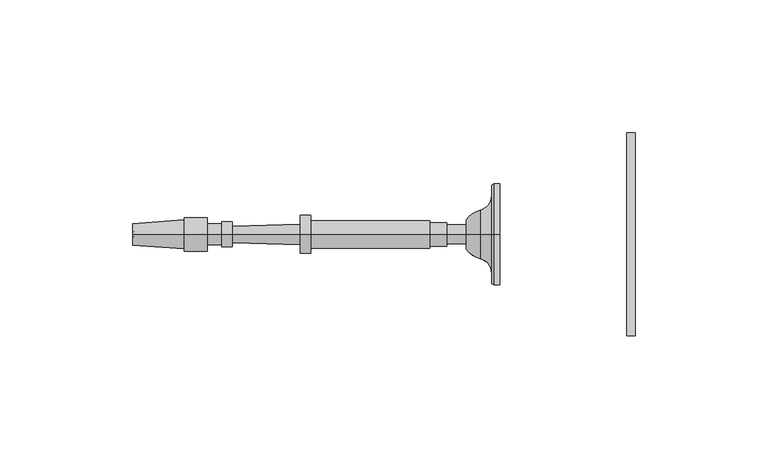
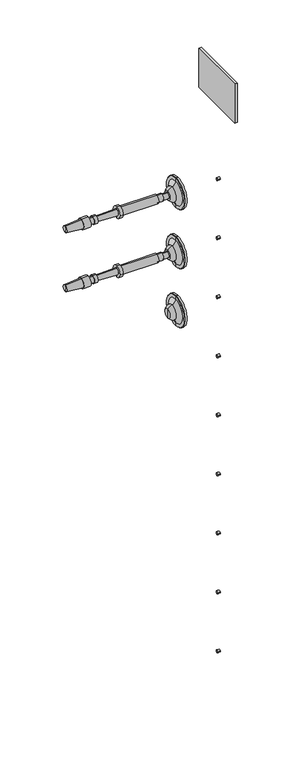
"""IFC4 building model written with IfcOpenShell, lengths in millimetres: railing geometry."""

from ifc_helpers import new_model, si_unit, point, frame, frame_2d, origin, place, context, project, spatial, polyline, circle_curve, ellipse_curve, trimmed, segment, composite_curve, outline, extrude, source, transform, mapped, element, save
from ifc_brep_helpers import plane_surface, cylinder_surface, revolved_surface, advanced_brep


def railing_6aa3b354(model_context):
    return source(origin(), model_context, "Body", "SolidModel", [
        extrude(outline(polyline([(4095.9188898, 20351.1866843), (4095.9188898, 20274.9866843), (4092.7438898, 20274.9866843), (4092.7438898, 20351.1866843), (4095.9188898, 20351.1866843)])), frame((0.0, 0.0, 33390.9789063), z_axis=(0.0, 0.0, 1.0), x_axis=(1.0, 0.0, 0.0)), (0.0, 0.0, 1.0), 50.8),
        extrude(outline(composite_curve([segment(trimmed(circle_curve(frame_2d((20313.0866843, 33295.7289062)), 1.5379197), [point((20311.5487645, 33295.7289062))], [point((20314.624604, 33295.7289062))], False, "CARTESIAN"), True, "CONTINUOUS"), segment(trimmed(circle_curve(frame_2d((20313.0866843, 33295.7289062)), 1.5379197), [point((20314.624604, 33295.7289062))], [point((20311.5487645, 33295.7289062))], False, "CARTESIAN"), True, "CONTINUOUS")], self_intersect=False)), frame((4092.7438898, 0.0, 0.0), z_axis=(1.0, 0.0, 0.0), x_axis=(0.0, 1.0, 0.0)), (0.0, 0.0, 1.0), 3.175),
        extrude(outline(composite_curve([segment(trimmed(circle_curve(frame_2d((20313.0866843, 33219.5289063)), 1.5379197), [point((20311.5487645, 33219.5289063))], [point((20314.624604, 33219.5289063))], False, "CARTESIAN"), True, "CONTINUOUS"), segment(trimmed(circle_curve(frame_2d((20313.0866843, 33219.5289063)), 1.5379197), [point((20314.624604, 33219.5289063))], [point((20311.5487645, 33219.5289063))], False, "CARTESIAN"), True, "CONTINUOUS")], self_intersect=False)), frame((4092.7438898, 0.0, 0.0), z_axis=(1.0, 0.0, 0.0), x_axis=(0.0, 1.0, 0.0)), (0.0, 0.0, 1.0), 3.175),
        extrude(outline(composite_curve([segment(trimmed(circle_curve(frame_2d((20313.0866843, 33143.3289062)), 1.5379197), [point((20311.5487645, 33143.3289062))], [point((20314.624604, 33143.3289062))], False, "CARTESIAN"), True, "CONTINUOUS"), segment(trimmed(circle_curve(frame_2d((20313.0866843, 33143.3289062)), 1.5379197), [point((20314.624604, 33143.3289062))], [point((20311.5487645, 33143.3289062))], False, "CARTESIAN"), True, "CONTINUOUS")], self_intersect=False)), frame((4092.7438898, 0.0, 0.0), z_axis=(1.0, 0.0, 0.0), x_axis=(0.0, 1.0, 0.0)), (0.0, 0.0, 1.0), 3.175),
        extrude(outline(composite_curve([segment(trimmed(circle_curve(frame_2d((20313.0866843, 33067.1289062)), 1.5379197), [point((20311.5487645, 33067.1289062))], [point((20314.624604, 33067.1289062))], False, "CARTESIAN"), True, "CONTINUOUS"), segment(trimmed(circle_curve(frame_2d((20313.0866843, 33067.1289062)), 1.5379197), [point((20314.624604, 33067.1289062))], [point((20311.5487645, 33067.1289062))], False, "CARTESIAN"), True, "CONTINUOUS")], self_intersect=False)), frame((4092.7438898, 0.0, 0.0), z_axis=(1.0, 0.0, 0.0), x_axis=(0.0, 1.0, 0.0)), (0.0, 0.0, 1.0), 3.175),
        extrude(outline(composite_curve([segment(trimmed(circle_curve(frame_2d((20313.0866843, 32990.9289062)), 1.5379197), [point((20311.5487645, 32990.9289062))], [point((20314.624604, 32990.9289062))], False, "CARTESIAN"), True, "CONTINUOUS"), segment(trimmed(circle_curve(frame_2d((20313.0866843, 32990.9289062)), 1.5379197), [point((20314.624604, 32990.9289062))], [point((20311.5487645, 32990.9289062))], False, "CARTESIAN"), True, "CONTINUOUS")], self_intersect=False)), frame((4092.7438898, 0.0, 0.0), z_axis=(1.0, 0.0, 0.0), x_axis=(0.0, 1.0, 0.0)), (0.0, 0.0, 1.0), 3.175),
        extrude(outline(composite_curve([segment(trimmed(circle_curve(frame_2d((20313.0866843, 32914.7289062)), 1.5379197), [point((20311.5487645, 32914.7289062))], [point((20314.624604, 32914.7289062))], False, "CARTESIAN"), True, "CONTINUOUS"), segment(trimmed(circle_curve(frame_2d((20313.0866843, 32914.7289062)), 1.5379197), [point((20314.624604, 32914.7289062))], [point((20311.5487645, 32914.7289062))], False, "CARTESIAN"), True, "CONTINUOUS")], self_intersect=False)), frame((4092.7438898, 0.0, 0.0), z_axis=(1.0, 0.0, 0.0), x_axis=(0.0, 1.0, 0.0)), (0.0, 0.0, 1.0), 3.175),
        extrude(outline(composite_curve([segment(trimmed(circle_curve(frame_2d((20313.0866843, 32838.5289063)), 1.5379197), [point((20311.5487645, 32838.5289063))], [point((20314.624604, 32838.5289063))], False, "CARTESIAN"), True, "CONTINUOUS"), segment(trimmed(circle_curve(frame_2d((20313.0866843, 32838.5289063)), 1.5379197), [point((20314.624604, 32838.5289063))], [point((20311.5487645, 32838.5289063))], False, "CARTESIAN"), True, "CONTINUOUS")], self_intersect=False)), frame((4092.7438898, 0.0, 0.0), z_axis=(1.0, 0.0, 0.0), x_axis=(0.0, 1.0, 0.0)), (0.0, 0.0, 1.0), 3.175),
        extrude(outline(composite_curve([segment(trimmed(circle_curve(frame_2d((20313.0866843, 32762.3289062)), 1.5379197), [point((20311.5487645, 32762.3289062))], [point((20314.624604, 32762.3289062))], False, "CARTESIAN"), True, "CONTINUOUS"), segment(trimmed(circle_curve(frame_2d((20313.0866843, 32762.3289062)), 1.5379197), [point((20314.624604, 32762.3289062))], [point((20311.5487645, 32762.3289062))], False, "CARTESIAN"), True, "CONTINUOUS")], self_intersect=False)), frame((4092.7438898, 0.0, 0.0), z_axis=(1.0, 0.0, 0.0), x_axis=(0.0, 1.0, 0.0)), (0.0, 0.0, 1.0), 3.175),
        extrude(outline(composite_curve([segment(trimmed(circle_curve(frame_2d((20313.0866843, 32686.1289062)), 1.5379197), [point((20311.5487645, 32686.1289062))], [point((20314.624604, 32686.1289062))], False, "CARTESIAN"), True, "CONTINUOUS"), segment(trimmed(circle_curve(frame_2d((20313.0866843, 32686.1289062)), 1.5379197), [point((20314.624604, 32686.1289062))], [point((20311.5487645, 32686.1289062))], False, "CARTESIAN"), True, "CONTINUOUS")], self_intersect=False)), frame((4092.7438898, 0.0, 0.0), z_axis=(1.0, 0.0, 0.0), x_axis=(0.0, 1.0, 0.0)), (0.0, 0.0, 1.0), 3.175),
        advanced_brep(
        [(4045.1015906, 20313.0866843, 33296.0001631), (4045.1015906, 20313.0866843, 33276.9501631), (4045.1015906, 20313.0866843, 33315.0501631), (4032.408954, 20313.0866843, 33290.4769785), (4032.408954, 20313.0866843, 33296.0001631), (4032.408954, 20313.0866843, 33301.5233478), (4037.6850504, 20313.0866843, 33286.8720381), (4037.6850504, 20313.0866843, 33305.1282881), (4042.0506754, 20313.0866843, 33281.2458254), (4042.0506754, 20313.0866843, 33310.7545009), (4042.0506754, 20313.0866843, 33277.3762941), (4042.0506754, 20313.0866843, 33314.6240321), (4042.7203406, 20313.0866843, 33276.9501631), (4042.7203406, 20313.0866843, 33315.0501631)],
        [
            (0, 1),
            (1, 2, circle_curve(frame((4045.1015906, 20313.0866843, 33296.0001631), z_axis=(1.0, 0.0, 0.0), x_axis=(0.0, 0.0, 1.0)), 19.05)),
            (2, 0),
            (2, 1, circle_curve(frame((4045.1015906, 20313.0866843, 33296.0001631), z_axis=(1.0, 0.0, 0.0), x_axis=(0.0, 0.0, 1.0)), 19.05)),
            (3, 4),
            (4, 5),
            (5, 3, circle_curve(frame((4032.408954, 20313.0866843, 33296.0001631), z_axis=(-1.0, 0.0, 0.0), x_axis=(0.0, 0.0, 1.0)), 5.5231846)),
            (3, 5, circle_curve(frame((4032.408954, 20313.0866843, 33296.0001631), z_axis=(-1.0, 0.0, 0.0), x_axis=(0.0, 0.0, 1.0)), 5.5231846)),
            (6, 3, circle_curve(frame((4040.0094591, 20313.0866843, 33295.9374304), z_axis=(0.0, 1.0, 0.0), x_axis=(-1.0, 0.0, 0.0)), 9.3586438)),
            (5, 7, circle_curve(frame((4040.0094591, 20313.0866843, 33296.0628958), z_axis=(0.0, 1.0, 0.0), x_axis=(-1.0, 0.0, 0.0)), 9.3586438)),
            (7, 6, circle_curve(frame((4037.6850504, 20313.0866843, 33296.0001631), z_axis=(-1.0, 0.0, 0.0), x_axis=(0.0, 0.0, 1.0)), 9.128125)),
            (6, 7, circle_curve(frame((4037.6850504, 20313.0866843, 33296.0001631), z_axis=(-1.0, 0.0, 0.0), x_axis=(0.0, 0.0, 1.0)), 9.128125)),
            (8, 6, circle_curve(frame((4036.2424634, 20313.0866843, 33281.2458254), z_axis=(0.0, -1.0, 0.0), x_axis=(-1.0, 0.0, 0.0)), 5.8082121)),
            (7, 9, circle_curve(frame((4036.2424634, 20313.0866843, 33310.7545009), z_axis=(0.0, -1.0, 0.0), x_axis=(-1.0, 0.0, 0.0)), 5.8082121)),
            (9, 8, circle_curve(frame((4042.0506754, 20313.0866843, 33296.0001631), z_axis=(-1.0, 0.0, 0.0), x_axis=(0.0, 0.0, 1.0)), 14.7543378)),
            (8, 9, circle_curve(frame((4042.0506754, 20313.0866843, 33296.0001631), z_axis=(-1.0, 0.0, 0.0), x_axis=(0.0, 0.0, 1.0)), 14.7543378)),
            (10, 8),
            (9, 11),
            (11, 10, circle_curve(frame((4042.0506754, 20313.0866843, 33296.0001631), z_axis=(-1.0, 0.0, 0.0), x_axis=(0.0, 0.0, 1.0)), 18.623869)),
            (10, 11, circle_curve(frame((4042.0506754, 20313.0866843, 33296.0001631), z_axis=(-1.0, 0.0, 0.0), x_axis=(0.0, 0.0, 1.0)), 18.623869)),
            (12, 10),
            (11, 13),
            (13, 12, circle_curve(frame((4042.7203406, 20313.0866843, 33296.0001631), z_axis=(-1.0, 0.0, 0.0), x_axis=(0.0, 0.0, 1.0)), 19.05)),
            (12, 13, circle_curve(frame((4042.7203406, 20313.0866843, 33296.0001631), z_axis=(-1.0, 0.0, 0.0), x_axis=(0.0, 0.0, 1.0)), 19.05)),
            (1, 12),
            (13, 2),
        ],
        [
            plane_surface(frame((4045.1015906, 20313.0866843, 33296.0001631), z_axis=(1.0, 0.0, 0.0), x_axis=(0.0, 0.0, 1.0))),
            plane_surface(frame((4032.408954, 20313.0866843, 33296.0001631), z_axis=(-1.0, 0.0, 0.0), x_axis=(0.0, 0.0, 1.0))),
            revolved_surface(trimmed(ellipse_curve(frame((4040.0094591, 20313.0866843, 33296.0628958), z_axis=(0.0, 1.0, 0.0), x_axis=(-1.0, 0.0, 0.0)), 9.3586438, 9.3586438), [point((4032.408954, 20313.0866843, 33301.5233478))], [point((4037.6850504, 20313.0866843, 33305.1282881))], True, "CARTESIAN"), (4045.1015906, 20313.0866843, 33296.0001631), (1.0, 0.0, 0.0)),
            revolved_surface(trimmed(ellipse_curve(frame((4036.2424634, 20313.0866843, 33310.7545009), z_axis=(0.0, -1.0, 0.0), x_axis=(-1.0, 0.0, 0.0)), 5.8082121, 5.8082121), [point((4037.6850504, 20313.0866843, 33305.1282881))], [point((4042.0506754, 20313.0866843, 33310.7545009))], True, "CARTESIAN"), (4045.1015906, 20313.0866843, 33296.0001631), (1.0, 0.0, 0.0)),
            plane_surface(frame((4042.0506754, 20313.0866843, 33296.0001631), z_axis=(-1.0, 0.0, 0.0), x_axis=(0.0, 0.0, 1.0))),
            revolved_surface(polyline([(4042.0506754, 20313.0866843, 33314.6240321), (4042.7203406, 20313.0866843, 33315.0501631)]), (4045.1015906, 20313.0866843, 33296.0001631), (1.0, 0.0, 0.0)),
            cylinder_surface(frame((4045.1015906, 20313.0866843, 33296.0001631), z_axis=(1.0, 0.0, 0.0), x_axis=(0.0, 0.0, 1.0)), 19.05),
        ],
        [
            (0, [[1, 2, 3]]),
            (0, [[-3, 4, -1]]),
            (1, [[5, 6, 7]]),
            (1, [[-6, -5, 8]]),
            (2, [[9, -7, 10, 11]]),
            (2, [[-10, -8, -9, 12]]),
            (3, [[13, -11, 14, 15]]),
            (3, [[-14, -12, -13, 16]]),
            (4, [[17, -15, 18, 19]]),
            (4, [[-18, -16, -17, 20]]),
            (5, [[21, -19, 22, 23]]),
            (5, [[-22, -20, -21, 24]]),
            (6, [[25, -23, 26, -2]]),
            (6, [[-26, -24, -25, -4]]),
        ],
    ),
        advanced_brep(
        [(4032.408954, 20313.0866843, 33292.4282881), (4032.408954, 20313.0866843, 33299.5720381), (4032.408954, 20313.0866843, 33296.0001631), (3907.4650648, 20313.0866843, 33296.0001631), (3907.1694004, 20313.0866843, 33300.0246235), (3907.1694004, 20313.0866843, 33291.9757028), (3926.5127644, 20313.0866843, 33301.445719), (3926.5127644, 20313.0866843, 33290.5546072), (3926.5127644, 20313.0866843, 33302.3386877), (3926.5127644, 20313.0866843, 33289.6616385), (3935.1447956, 20313.0866843, 33302.3386877), (3935.1447956, 20313.0866843, 33289.6616385), (3935.1447956, 20313.0866843, 33299.9574377), (3935.1447956, 20313.0866843, 33292.0428885), (3940.5026081, 20313.0866843, 33299.9574377), (3940.5026081, 20313.0866843, 33292.0428885), (3940.5026081, 20313.0866843, 33300.7511877), (3940.5026081, 20313.0866843, 33291.2491385), (3944.5705769, 20313.0866843, 33300.7511877), (3944.5705769, 20313.0866843, 33291.2491385), (3944.614664, 20313.0866843, 33299.1643), (3944.614664, 20313.0866843, 33292.8360262), (3970.0048672, 20313.0866843, 33299.8696944), (3970.0048672, 20313.0866843, 33292.1306319), (3970.0048672, 20313.0866843, 33303.1439131), (3970.0048672, 20313.0866843, 33288.8564131), (3973.9736172, 20313.0866843, 33303.1439131), (3973.9736172, 20313.0866843, 33288.8564131), (3973.9736172, 20313.0866843, 33301.1595381), (3973.9736172, 20313.0866843, 33290.8407881), (4018.7212735, 20313.0866843, 33301.1595381), (4018.7212735, 20313.0866843, 33290.8407881), (4018.7212735, 20313.0866843, 33300.3657881), (4018.7212735, 20313.0866843, 33291.6345381), (4025.0712735, 20313.0866843, 33300.3657881), (4025.0712735, 20313.0866843, 33291.6345381), (4025.0712735, 20313.0866843, 33299.5720381), (4025.0712735, 20313.0866843, 33292.4282881)],
        [
            (0, 1, circle_curve(frame((4032.408954, 20313.0866843, 33296.0001631), z_axis=(1.0, 0.0, 0.0), x_axis=(0.0, 0.0, 1.0000000000000002)), 3.571875)),
            (1, 2),
            (2, 0),
            (1, 0, circle_curve(frame((4032.408954, 20313.0866843, 33296.0001631), z_axis=(1.0, 0.0, 0.0), x_axis=(0.0, 0.0, 1.0000000000000002)), 3.571875)),
            (3, 4),
            (4, 5, circle_curve(frame((3907.1694004, 20313.0866843, 33296.0001631), z_axis=(-1.0, 0.0, 0.0), x_axis=(0.0, 0.0, 1.0000000000000002)), 4.0244604)),
            (5, 3),
            (5, 4, circle_curve(frame((3907.1694004, 20313.0866843, 33296.0001631), z_axis=(-1.0, 0.0, 0.0), x_axis=(0.0, 0.0, 1.0000000000000002)), 4.0244604)),
            (4, 6),
            (6, 7, circle_curve(frame((3926.5127644, 20313.0866843, 33296.0001631), z_axis=(-1.0, 0.0, 0.0), x_axis=(0.0, 0.0, 1.0000000000000002)), 5.4455559)),
            (7, 5),
            (7, 6, circle_curve(frame((3926.5127644, 20313.0866843, 33296.0001631), z_axis=(-1.0, 0.0, 0.0), x_axis=(0.0, 0.0, 1.0000000000000002)), 5.4455559)),
            (6, 8),
            (8, 9, circle_curve(frame((3926.5127644, 20313.0866843, 33296.0001631), z_axis=(-1.0, 0.0, 0.0), x_axis=(0.0, 0.0, 1.0000000000000002)), 6.3385246)),
            (9, 7),
            (9, 8, circle_curve(frame((3926.5127644, 20313.0866843, 33296.0001631), z_axis=(-1.0, 0.0, 0.0), x_axis=(0.0, 0.0, 1.0000000000000002)), 6.3385246)),
            (8, 10),
            (10, 11, circle_curve(frame((3935.1447956, 20313.0866843, 33296.0001631), z_axis=(-1.0, 0.0, 0.0), x_axis=(0.0, 0.0, 1.0000000000000002)), 6.3385246)),
            (11, 9),
            (11, 10, circle_curve(frame((3935.1447956, 20313.0866843, 33296.0001631), z_axis=(-1.0, 0.0, 0.0), x_axis=(0.0, 0.0, 1.0000000000000002)), 6.3385246)),
            (10, 12),
            (12, 13, circle_curve(frame((3935.1447956, 20313.0866843, 33296.0001631), z_axis=(-1.0, 0.0, 0.0), x_axis=(0.0, 0.0, 1.0000000000000002)), 3.9572746)),
            (13, 11),
            (13, 12, circle_curve(frame((3935.1447956, 20313.0866843, 33296.0001631), z_axis=(-1.0, 0.0, 0.0), x_axis=(0.0, 0.0, 1.0000000000000002)), 3.9572746)),
            (12, 14),
            (14, 15, circle_curve(frame((3940.5026081, 20313.0866843, 33296.0001631), z_axis=(-1.0, 0.0, 0.0), x_axis=(0.0, 0.0, 1.0000000000000002)), 3.9572746)),
            (15, 13),
            (15, 14, circle_curve(frame((3940.5026081, 20313.0866843, 33296.0001631), z_axis=(-1.0, 0.0, 0.0), x_axis=(0.0, 0.0, 1.0000000000000002)), 3.9572746)),
            (14, 16),
            (16, 17, circle_curve(frame((3940.5026081, 20313.0866843, 33296.0001631), z_axis=(-1.0, 0.0, 0.0), x_axis=(0.0, 0.0, 1.0000000000000002)), 4.7510246)),
            (17, 15),
            (17, 16, circle_curve(frame((3940.5026081, 20313.0866843, 33296.0001631), z_axis=(-1.0, 0.0, 0.0), x_axis=(0.0, 0.0, 1.0000000000000002)), 4.7510246)),
            (16, 18),
            (18, 19, circle_curve(frame((3944.5705769, 20313.0866843, 33296.0001631), z_axis=(-1.0, 0.0, 0.0), x_axis=(0.0, 0.0, 1.0000000000000002)), 4.7510246)),
            (19, 17),
            (19, 18, circle_curve(frame((3944.5705769, 20313.0866843, 33296.0001631), z_axis=(-1.0, 0.0, 0.0), x_axis=(0.0, 0.0, 1.0000000000000002)), 4.7510246)),
            (18, 20),
            (20, 21, circle_curve(frame((3944.614664, 20313.0866843, 33296.0001631), z_axis=(-1.0, 0.0, 0.0), x_axis=(0.0, 0.0, 1.0000000000000002)), 3.1641369)),
            (21, 19),
            (21, 20, circle_curve(frame((3944.614664, 20313.0866843, 33296.0001631), z_axis=(-1.0, 0.0, 0.0), x_axis=(0.0, 0.0, 1.0000000000000002)), 3.1641369)),
            (20, 22),
            (22, 23, circle_curve(frame((3970.0048672, 20313.0866843, 33296.0001631), z_axis=(-1.0, 0.0, 0.0), x_axis=(0.0, 0.0, 1.0000000000000002)), 3.8695313)),
            (23, 21),
            (23, 22, circle_curve(frame((3970.0048672, 20313.0866843, 33296.0001631), z_axis=(-1.0, 0.0, 0.0), x_axis=(0.0, 0.0, 1.0000000000000002)), 3.8695313)),
            (22, 24),
            (24, 25, circle_curve(frame((3970.0048672, 20313.0866843, 33296.0001631), z_axis=(-1.0, 0.0, 0.0), x_axis=(0.0, 0.0, 1.0000000000000002)), 7.14375)),
            (25, 23),
            (25, 24, circle_curve(frame((3970.0048672, 20313.0866843, 33296.0001631), z_axis=(-1.0, 0.0, 0.0), x_axis=(0.0, 0.0, 1.0000000000000002)), 7.14375)),
            (24, 26),
            (26, 27, circle_curve(frame((3973.9736172, 20313.0866843, 33296.0001631), z_axis=(-1.0, 0.0, 0.0), x_axis=(0.0, 0.0, 1.0000000000000002)), 7.14375)),
            (27, 25),
            (27, 26, circle_curve(frame((3973.9736172, 20313.0866843, 33296.0001631), z_axis=(-1.0, 0.0, 0.0), x_axis=(0.0, 0.0, 1.0000000000000002)), 7.14375)),
            (26, 28),
            (28, 29, circle_curve(frame((3973.9736172, 20313.0866843, 33296.0001631), z_axis=(-1.0, 0.0, 0.0), x_axis=(0.0, 0.0, 1.0000000000000002)), 5.159375)),
            (29, 27),
            (29, 28, circle_curve(frame((3973.9736172, 20313.0866843, 33296.0001631), z_axis=(-1.0, 0.0, 0.0), x_axis=(0.0, 0.0, 1.0000000000000002)), 5.159375)),
            (28, 30),
            (30, 31, circle_curve(frame((4018.7212735, 20313.0866843, 33296.0001631), z_axis=(-1.0, 0.0, 0.0), x_axis=(0.0, 0.0, 1.0000000000000002)), 5.159375)),
            (31, 29),
            (31, 30, circle_curve(frame((4018.7212735, 20313.0866843, 33296.0001631), z_axis=(-1.0, 0.0, 0.0), x_axis=(0.0, 0.0, 1.0000000000000002)), 5.159375)),
            (30, 32),
            (32, 33, circle_curve(frame((4018.7212735, 20313.0866843, 33296.0001631), z_axis=(-1.0, 0.0, 0.0), x_axis=(0.0, 0.0, 1.0000000000000002)), 4.365625)),
            (33, 31),
            (33, 32, circle_curve(frame((4018.7212735, 20313.0866843, 33296.0001631), z_axis=(-1.0, 0.0, 0.0), x_axis=(0.0, 0.0, 1.0000000000000002)), 4.365625)),
            (32, 34),
            (34, 35, circle_curve(frame((4025.0712735, 20313.0866843, 33296.0001631), z_axis=(-1.0, 0.0, 0.0), x_axis=(0.0, 0.0, 1.0000000000000002)), 4.365625)),
            (35, 33),
            (35, 34, circle_curve(frame((4025.0712735, 20313.0866843, 33296.0001631), z_axis=(-1.0, 0.0, 0.0), x_axis=(0.0, 0.0, 1.0000000000000002)), 4.365625)),
            (34, 36),
            (36, 37, circle_curve(frame((4025.0712735, 20313.0866843, 33296.0001631), z_axis=(-1.0, 0.0, 0.0), x_axis=(0.0, 0.0, 1.0000000000000002)), 3.571875)),
            (37, 35),
            (37, 36, circle_curve(frame((4025.0712735, 20313.0866843, 33296.0001631), z_axis=(-1.0, 0.0, 0.0), x_axis=(0.0, 0.0, 1.0000000000000002)), 3.571875)),
            (36, 1),
            (0, 37),
        ],
        [
            plane_surface(frame((4032.408954, 20313.0866843, 33296.0001631), z_axis=(1.0, 0.0, 0.0), x_axis=(0.0, 0.0, 1.0))),
            revolved_surface(polyline([(3907.1694004, 20313.0866843, 33300.0246235), (3907.4650648, 20313.0866843, 33296.0001631)]), (3907.4650648, 20313.0866843, 33296.0001631), (-1.0, 0.0, 0.0)),
            revolved_surface(polyline([(3926.5127644, 20313.0866843, 33301.445719), (3907.1694004, 20313.0866843, 33300.0246235)]), (3907.4650648, 20313.0866843, 33296.0001631), (-1.0, 0.0, 0.0)),
            plane_surface(frame((3926.5127644, 20313.0866843, 33296.0001631), z_axis=(-1.0, 0.0, 0.0), x_axis=(0.0, 0.0, 1.0))),
            cylinder_surface(frame((3907.4650648, 20313.0866843, 33296.0001631), z_axis=(-1.0, 0.0, 0.0), x_axis=(0.0, 0.0, 1.0000000000000002)), 6.3385246),
            plane_surface(frame((3935.1447956, 20313.0866843, 33296.0001631), z_axis=(1.0, 0.0, 0.0), x_axis=(0.0, 0.0, 1.0))),
            cylinder_surface(frame((3907.4650648, 20313.0866843, 33296.0001631), z_axis=(-1.0, 0.0, 0.0), x_axis=(0.0, 0.0, 1.0000000000000002)), 3.9572746),
            plane_surface(frame((3940.5026081, 20313.0866843, 33296.0001631), z_axis=(-1.0, 0.0, 0.0), x_axis=(0.0, 0.0, 1.0))),
            cylinder_surface(frame((3907.4650648, 20313.0866843, 33296.0001631), z_axis=(-1.0, 0.0, 0.0), x_axis=(0.0, 0.0, 1.0000000000000002)), 4.7510246),
            plane_surface(frame((3944.614664, 20313.0866843, 33296.0001631), z_axis=(1.0, 0.0, 0.0), x_axis=(0.0, 0.0, 1.0))),
            revolved_surface(polyline([(3970.0048672, 20313.0866843, 33299.8696944), (3944.614664, 20313.0866843, 33299.1643)]), (3907.4650648, 20313.0866843, 33296.0001631), (-1.0, 0.0, 0.0)),
            plane_surface(frame((3970.0048672, 20313.0866843, 33296.0001631), z_axis=(-1.0, 0.0, 0.0), x_axis=(0.0, 0.0, 1.0))),
            cylinder_surface(frame((3907.4650648, 20313.0866843, 33296.0001631), z_axis=(-1.0, 0.0, 0.0), x_axis=(0.0, 0.0, 1.0000000000000002)), 7.14375),
            plane_surface(frame((3973.9736172, 20313.0866843, 33296.0001631), z_axis=(1.0, 0.0, 0.0), x_axis=(0.0, 0.0, 1.0))),
            cylinder_surface(frame((3907.4650648, 20313.0866843, 33296.0001631), z_axis=(-1.0, 0.0, 0.0), x_axis=(0.0, 0.0, 1.0000000000000002)), 5.159375),
            plane_surface(frame((4018.7212735, 20313.0866843, 33296.0001631), z_axis=(1.0, 0.0, 0.0), x_axis=(0.0, 0.0, 1.0))),
            cylinder_surface(frame((3907.4650648, 20313.0866843, 33296.0001631), z_axis=(-1.0, 0.0, 0.0), x_axis=(0.0, 0.0, 1.0000000000000002)), 4.365625),
            plane_surface(frame((4025.0712735, 20313.0866843, 33296.0001631), z_axis=(1.0, 0.0, 0.0), x_axis=(0.0, 0.0, 1.0))),
            cylinder_surface(frame((3907.4650648, 20313.0866843, 33296.0001631), z_axis=(-1.0, 0.0, 0.0), x_axis=(0.0, 0.0, 1.0000000000000002)), 3.571875),
        ],
        [
            (0, [[1, 2, 3]]),
            (0, [[4, -3, -2]]),
            (1, [[5, 6, 7]]),
            (1, [[-7, 8, -5]]),
            (2, [[-6, 9, 10, 11]]),
            (2, [[-8, -11, 12, -9]]),
            (3, [[-10, 13, 14, 15]]),
            (3, [[-12, -15, 16, -13]]),
            (4, [[-14, 17, 18, 19]]),
            (4, [[-16, -19, 20, -17]]),
            (5, [[-18, 21, 22, 23]]),
            (5, [[-20, -23, 24, -21]]),
            (6, [[-22, 25, 26, 27]]),
            (6, [[-24, -27, 28, -25]]),
            (7, [[-26, 29, 30, 31]]),
            (7, [[-28, -31, 32, -29]]),
            (8, [[-30, 33, 34, 35]]),
            (8, [[-32, -35, 36, -33]]),
            (9, [[-34, 37, 38, 39]]),
            (9, [[-36, -39, 40, -37]]),
            (10, [[-38, 41, 42, 43]]),
            (10, [[-40, -43, 44, -41]]),
            (11, [[-42, 45, 46, 47]]),
            (11, [[-44, -47, 48, -45]]),
            (12, [[-46, 49, 50, 51]]),
            (12, [[-48, -51, 52, -49]]),
            (13, [[-50, 53, 54, 55]]),
            (13, [[-52, -55, 56, -53]]),
            (14, [[-54, 57, 58, 59]]),
            (14, [[-56, -59, 60, -57]]),
            (15, [[-58, 61, 62, 63]]),
            (15, [[-60, -63, 64, -61]]),
            (16, [[-62, 65, 66, 67]]),
            (16, [[-64, -67, 68, -65]]),
            (17, [[-66, 69, 70, 71]]),
            (17, [[-68, -71, 72, -69]]),
            (18, [[-70, 73, -1, 74]]),
            (18, [[-72, -74, -4, -73]]),
        ],
    ),
        advanced_brep(
        [(4045.1015906, 20313.0866843, 33219.8001631), (4045.1015906, 20313.0866843, 33200.7501631), (4045.1015906, 20313.0866843, 33238.8501631), (4032.408954, 20313.0866843, 33214.2769785), (4032.408954, 20313.0866843, 33219.8001631), (4032.408954, 20313.0866843, 33225.3233478), (4037.6850504, 20313.0866843, 33210.6720381), (4037.6850504, 20313.0866843, 33228.9282881), (4042.0506754, 20313.0866843, 33205.0458254), (4042.0506754, 20313.0866843, 33234.5545009), (4042.0506754, 20313.0866843, 33201.1762941), (4042.0506754, 20313.0866843, 33238.4240321), (4042.7203406, 20313.0866843, 33200.7501631), (4042.7203406, 20313.0866843, 33238.8501631)],
        [
            (0, 1),
            (1, 2, circle_curve(frame((4045.1015906, 20313.0866843, 33219.8001631), z_axis=(1.0, 0.0, 0.0), x_axis=(0.0, 0.0, 1.0)), 19.05)),
            (2, 0),
            (2, 1, circle_curve(frame((4045.1015906, 20313.0866843, 33219.8001631), z_axis=(1.0, 0.0, 0.0), x_axis=(0.0, 0.0, 1.0)), 19.05)),
            (3, 4),
            (4, 5),
            (5, 3, circle_curve(frame((4032.408954, 20313.0866843, 33219.8001631), z_axis=(-1.0, 0.0, 0.0), x_axis=(0.0, 0.0, 1.0)), 5.5231846)),
            (3, 5, circle_curve(frame((4032.408954, 20313.0866843, 33219.8001631), z_axis=(-1.0, 0.0, 0.0), x_axis=(0.0, 0.0, 1.0)), 5.5231846)),
            (6, 3, circle_curve(frame((4040.0094591, 20313.0866843, 33219.7374304), z_axis=(0.0, 1.0, 0.0), x_axis=(-1.0, 0.0, 0.0)), 9.3586438)),
            (5, 7, circle_curve(frame((4040.0094591, 20313.0866843, 33219.8628958), z_axis=(0.0, 1.0, 0.0), x_axis=(-1.0, 0.0, 0.0)), 9.3586438)),
            (7, 6, circle_curve(frame((4037.6850504, 20313.0866843, 33219.8001631), z_axis=(-1.0, 0.0, 0.0), x_axis=(0.0, 0.0, 1.0)), 9.128125)),
            (6, 7, circle_curve(frame((4037.6850504, 20313.0866843, 33219.8001631), z_axis=(-1.0, 0.0, 0.0), x_axis=(0.0, 0.0, 1.0)), 9.128125)),
            (8, 6, circle_curve(frame((4036.2424634, 20313.0866843, 33205.0458254), z_axis=(0.0, -1.0, 0.0), x_axis=(-1.0, 0.0, 0.0)), 5.8082121)),
            (7, 9, circle_curve(frame((4036.2424634, 20313.0866843, 33234.5545009), z_axis=(0.0, -1.0, 0.0), x_axis=(-1.0, 0.0, 0.0)), 5.8082121)),
            (9, 8, circle_curve(frame((4042.0506754, 20313.0866843, 33219.8001631), z_axis=(-1.0, 0.0, 0.0), x_axis=(0.0, 0.0, 1.0)), 14.7543378)),
            (8, 9, circle_curve(frame((4042.0506754, 20313.0866843, 33219.8001631), z_axis=(-1.0, 0.0, 0.0), x_axis=(0.0, 0.0, 1.0)), 14.7543378)),
            (10, 8),
            (9, 11),
            (11, 10, circle_curve(frame((4042.0506754, 20313.0866843, 33219.8001631), z_axis=(-1.0, 0.0, 0.0), x_axis=(0.0, 0.0, 1.0)), 18.623869)),
            (10, 11, circle_curve(frame((4042.0506754, 20313.0866843, 33219.8001631), z_axis=(-1.0, 0.0, 0.0), x_axis=(0.0, 0.0, 1.0)), 18.623869)),
            (12, 10),
            (11, 13),
            (13, 12, circle_curve(frame((4042.7203406, 20313.0866843, 33219.8001631), z_axis=(-1.0, 0.0, 0.0), x_axis=(0.0, 0.0, 1.0)), 19.05)),
            (12, 13, circle_curve(frame((4042.7203406, 20313.0866843, 33219.8001631), z_axis=(-1.0, 0.0, 0.0), x_axis=(0.0, 0.0, 1.0)), 19.05)),
            (1, 12),
            (13, 2),
        ],
        [
            plane_surface(frame((4045.1015906, 20313.0866843, 33219.8001631), z_axis=(1.0, 0.0, 0.0), x_axis=(0.0, 0.0, 1.0))),
            plane_surface(frame((4032.408954, 20313.0866843, 33219.8001631), z_axis=(-1.0, 0.0, 0.0), x_axis=(0.0, 0.0, 1.0))),
            revolved_surface(trimmed(ellipse_curve(frame((4040.0094591, 20313.0866843, 33219.8628958), z_axis=(0.0, 1.0, 0.0), x_axis=(-1.0, 0.0, 0.0)), 9.3586438, 9.3586438), [point((4032.408954, 20313.0866843, 33225.3233478))], [point((4037.6850504, 20313.0866843, 33228.9282881))], True, "CARTESIAN"), (4045.1015906, 20313.0866843, 33219.8001631), (1.0, 0.0, 0.0)),
            revolved_surface(trimmed(ellipse_curve(frame((4036.2424634, 20313.0866843, 33234.5545009), z_axis=(0.0, -1.0, 0.0), x_axis=(-1.0, 0.0, 0.0)), 5.8082121, 5.8082121), [point((4037.6850504, 20313.0866843, 33228.9282881))], [point((4042.0506754, 20313.0866843, 33234.5545009))], True, "CARTESIAN"), (4045.1015906, 20313.0866843, 33219.8001631), (1.0, 0.0, 0.0)),
            plane_surface(frame((4042.0506754, 20313.0866843, 33219.8001631), z_axis=(-1.0, 0.0, 0.0), x_axis=(0.0, 0.0, 1.0))),
            revolved_surface(polyline([(4042.0506754, 20313.0866843, 33238.4240321), (4042.7203406, 20313.0866843, 33238.8501631)]), (4045.1015906, 20313.0866843, 33219.8001631), (1.0, 0.0, 0.0)),
            cylinder_surface(frame((4045.1015906, 20313.0866843, 33219.8001631), z_axis=(1.0, 0.0, 0.0), x_axis=(0.0, 0.0, 1.0)), 19.05),
        ],
        [
            (0, [[1, 2, 3]]),
            (0, [[-3, 4, -1]]),
            (1, [[5, 6, 7]]),
            (1, [[-6, -5, 8]]),
            (2, [[9, -7, 10, 11]]),
            (2, [[-10, -8, -9, 12]]),
            (3, [[13, -11, 14, 15]]),
            (3, [[-14, -12, -13, 16]]),
            (4, [[17, -15, 18, 19]]),
            (4, [[-18, -16, -17, 20]]),
            (5, [[21, -19, 22, 23]]),
            (5, [[-22, -20, -21, 24]]),
            (6, [[25, -23, 26, -2]]),
            (6, [[-26, -24, -25, -4]]),
        ],
    ),
        advanced_brep(
        [(4032.408954, 20313.0866843, 33216.2282881), (4032.408954, 20313.0866843, 33223.3720381), (4032.408954, 20313.0866843, 33219.8001631), (3907.4650648, 20313.0866843, 33219.8001631), (3907.1694004, 20313.0866843, 33223.8246235), (3907.1694004, 20313.0866843, 33215.7757028), (3926.5127644, 20313.0866843, 33225.245719), (3926.5127644, 20313.0866843, 33214.3546072), (3926.5127644, 20313.0866843, 33226.1386877), (3926.5127644, 20313.0866843, 33213.4616385), (3935.1447956, 20313.0866843, 33226.1386877), (3935.1447956, 20313.0866843, 33213.4616385), (3935.1447956, 20313.0866843, 33223.7574377), (3935.1447956, 20313.0866843, 33215.8428885), (3940.5026081, 20313.0866843, 33223.7574377), (3940.5026081, 20313.0866843, 33215.8428885), (3940.5026081, 20313.0866843, 33224.5511877), (3940.5026081, 20313.0866843, 33215.0491385), (3944.5705769, 20313.0866843, 33224.5511877), (3944.5705769, 20313.0866843, 33215.0491385), (3944.614664, 20313.0866843, 33222.9643), (3944.614664, 20313.0866843, 33216.6360262), (3970.0048672, 20313.0866843, 33223.6696944), (3970.0048672, 20313.0866843, 33215.9306319), (3970.0048672, 20313.0866843, 33226.9439131), (3970.0048672, 20313.0866843, 33212.6564131), (3973.9736172, 20313.0866843, 33226.9439131), (3973.9736172, 20313.0866843, 33212.6564131), (3973.9736172, 20313.0866843, 33224.9595381), (3973.9736172, 20313.0866843, 33214.6407881), (4018.7212735, 20313.0866843, 33224.9595381), (4018.7212735, 20313.0866843, 33214.6407881), (4018.7212735, 20313.0866843, 33224.1657881), (4018.7212735, 20313.0866843, 33215.4345381), (4025.0712735, 20313.0866843, 33224.1657881), (4025.0712735, 20313.0866843, 33215.4345381), (4025.0712735, 20313.0866843, 33223.3720381), (4025.0712735, 20313.0866843, 33216.2282881)],
        [
            (0, 1, circle_curve(frame((4032.408954, 20313.0866843, 33219.8001631), z_axis=(1.0, 0.0, 0.0), x_axis=(0.0, 0.0, 1.0000000000000002)), 3.571875)),
            (1, 2),
            (2, 0),
            (1, 0, circle_curve(frame((4032.408954, 20313.0866843, 33219.8001631), z_axis=(1.0, 0.0, 0.0), x_axis=(0.0, 0.0, 1.0000000000000002)), 3.571875)),
            (3, 4),
            (4, 5, circle_curve(frame((3907.1694004, 20313.0866843, 33219.8001631), z_axis=(-1.0, 0.0, 0.0), x_axis=(0.0, 0.0, 1.0000000000000002)), 4.0244604)),
            (5, 3),
            (5, 4, circle_curve(frame((3907.1694004, 20313.0866843, 33219.8001631), z_axis=(-1.0, 0.0, 0.0), x_axis=(0.0, 0.0, 1.0000000000000002)), 4.0244604)),
            (4, 6),
            (6, 7, circle_curve(frame((3926.5127644, 20313.0866843, 33219.8001631), z_axis=(-1.0, 0.0, 0.0), x_axis=(0.0, 0.0, 1.0000000000000002)), 5.4455559)),
            (7, 5),
            (7, 6, circle_curve(frame((3926.5127644, 20313.0866843, 33219.8001631), z_axis=(-1.0, 0.0, 0.0), x_axis=(0.0, 0.0, 1.0000000000000002)), 5.4455559)),
            (6, 8),
            (8, 9, circle_curve(frame((3926.5127644, 20313.0866843, 33219.8001631), z_axis=(-1.0, 0.0, 0.0), x_axis=(0.0, 0.0, 1.0000000000000002)), 6.3385246)),
            (9, 7),
            (9, 8, circle_curve(frame((3926.5127644, 20313.0866843, 33219.8001631), z_axis=(-1.0, 0.0, 0.0), x_axis=(0.0, 0.0, 1.0000000000000002)), 6.3385246)),
            (8, 10),
            (10, 11, circle_curve(frame((3935.1447956, 20313.0866843, 33219.8001631), z_axis=(-1.0, 0.0, 0.0), x_axis=(0.0, 0.0, 1.0000000000000002)), 6.3385246)),
            (11, 9),
            (11, 10, circle_curve(frame((3935.1447956, 20313.0866843, 33219.8001631), z_axis=(-1.0, 0.0, 0.0), x_axis=(0.0, 0.0, 1.0000000000000002)), 6.3385246)),
            (10, 12),
            (12, 13, circle_curve(frame((3935.1447956, 20313.0866843, 33219.8001631), z_axis=(-1.0, 0.0, 0.0), x_axis=(0.0, 0.0, 1.0000000000000002)), 3.9572746)),
            (13, 11),
            (13, 12, circle_curve(frame((3935.1447956, 20313.0866843, 33219.8001631), z_axis=(-1.0, 0.0, 0.0), x_axis=(0.0, 0.0, 1.0000000000000002)), 3.9572746)),
            (12, 14),
            (14, 15, circle_curve(frame((3940.5026081, 20313.0866843, 33219.8001631), z_axis=(-1.0, 0.0, 0.0), x_axis=(0.0, 0.0, 1.0000000000000002)), 3.9572746)),
            (15, 13),
            (15, 14, circle_curve(frame((3940.5026081, 20313.0866843, 33219.8001631), z_axis=(-1.0, 0.0, 0.0), x_axis=(0.0, 0.0, 1.0000000000000002)), 3.9572746)),
            (14, 16),
            (16, 17, circle_curve(frame((3940.5026081, 20313.0866843, 33219.8001631), z_axis=(-1.0, 0.0, 0.0), x_axis=(0.0, 0.0, 1.0000000000000002)), 4.7510246)),
            (17, 15),
            (17, 16, circle_curve(frame((3940.5026081, 20313.0866843, 33219.8001631), z_axis=(-1.0, 0.0, 0.0), x_axis=(0.0, 0.0, 1.0000000000000002)), 4.7510246)),
            (16, 18),
            (18, 19, circle_curve(frame((3944.5705769, 20313.0866843, 33219.8001631), z_axis=(-1.0, 0.0, 0.0), x_axis=(0.0, 0.0, 1.0000000000000002)), 4.7510246)),
            (19, 17),
            (19, 18, circle_curve(frame((3944.5705769, 20313.0866843, 33219.8001631), z_axis=(-1.0, 0.0, 0.0), x_axis=(0.0, 0.0, 1.0000000000000002)), 4.7510246)),
            (18, 20),
            (20, 21, circle_curve(frame((3944.614664, 20313.0866843, 33219.8001631), z_axis=(-1.0, 0.0, 0.0), x_axis=(0.0, 0.0, 1.0000000000000002)), 3.1641369)),
            (21, 19),
            (21, 20, circle_curve(frame((3944.614664, 20313.0866843, 33219.8001631), z_axis=(-1.0, 0.0, 0.0), x_axis=(0.0, 0.0, 1.0000000000000002)), 3.1641369)),
            (20, 22),
            (22, 23, circle_curve(frame((3970.0048672, 20313.0866843, 33219.8001631), z_axis=(-1.0, 0.0, 0.0), x_axis=(0.0, 0.0, 1.0000000000000002)), 3.8695313)),
            (23, 21),
            (23, 22, circle_curve(frame((3970.0048672, 20313.0866843, 33219.8001631), z_axis=(-1.0, 0.0, 0.0), x_axis=(0.0, 0.0, 1.0000000000000002)), 3.8695313)),
            (22, 24),
            (24, 25, circle_curve(frame((3970.0048672, 20313.0866843, 33219.8001631), z_axis=(-1.0, 0.0, 0.0), x_axis=(0.0, 0.0, 1.0000000000000002)), 7.14375)),
            (25, 23),
            (25, 24, circle_curve(frame((3970.0048672, 20313.0866843, 33219.8001631), z_axis=(-1.0, 0.0, 0.0), x_axis=(0.0, 0.0, 1.0000000000000002)), 7.14375)),
            (24, 26),
            (26, 27, circle_curve(frame((3973.9736172, 20313.0866843, 33219.8001631), z_axis=(-1.0, 0.0, 0.0), x_axis=(0.0, 0.0, 1.0000000000000002)), 7.14375)),
            (27, 25),
            (27, 26, circle_curve(frame((3973.9736172, 20313.0866843, 33219.8001631), z_axis=(-1.0, 0.0, 0.0), x_axis=(0.0, 0.0, 1.0000000000000002)), 7.14375)),
            (26, 28),
            (28, 29, circle_curve(frame((3973.9736172, 20313.0866843, 33219.8001631), z_axis=(-1.0, 0.0, 0.0), x_axis=(0.0, 0.0, 1.0000000000000002)), 5.159375)),
            (29, 27),
            (29, 28, circle_curve(frame((3973.9736172, 20313.0866843, 33219.8001631), z_axis=(-1.0, 0.0, 0.0), x_axis=(0.0, 0.0, 1.0000000000000002)), 5.159375)),
            (28, 30),
            (30, 31, circle_curve(frame((4018.7212735, 20313.0866843, 33219.8001631), z_axis=(-1.0, 0.0, 0.0), x_axis=(0.0, 0.0, 1.0000000000000002)), 5.159375)),
            (31, 29),
            (31, 30, circle_curve(frame((4018.7212735, 20313.0866843, 33219.8001631), z_axis=(-1.0, 0.0, 0.0), x_axis=(0.0, 0.0, 1.0000000000000002)), 5.159375)),
            (30, 32),
            (32, 33, circle_curve(frame((4018.7212735, 20313.0866843, 33219.8001631), z_axis=(-1.0, 0.0, 0.0), x_axis=(0.0, 0.0, 1.0000000000000002)), 4.365625)),
            (33, 31),
            (33, 32, circle_curve(frame((4018.7212735, 20313.0866843, 33219.8001631), z_axis=(-1.0, 0.0, 0.0), x_axis=(0.0, 0.0, 1.0000000000000002)), 4.365625)),
            (32, 34),
            (34, 35, circle_curve(frame((4025.0712735, 20313.0866843, 33219.8001631), z_axis=(-1.0, 0.0, 0.0), x_axis=(0.0, 0.0, 1.0000000000000002)), 4.365625)),
            (35, 33),
            (35, 34, circle_curve(frame((4025.0712735, 20313.0866843, 33219.8001631), z_axis=(-1.0, 0.0, 0.0), x_axis=(0.0, 0.0, 1.0000000000000002)), 4.365625)),
            (34, 36),
            (36, 37, circle_curve(frame((4025.0712735, 20313.0866843, 33219.8001631), z_axis=(-1.0, 0.0, 0.0), x_axis=(0.0, 0.0, 1.0000000000000002)), 3.571875)),
            (37, 35),
            (37, 36, circle_curve(frame((4025.0712735, 20313.0866843, 33219.8001631), z_axis=(-1.0, 0.0, 0.0), x_axis=(0.0, 0.0, 1.0000000000000002)), 3.571875)),
            (36, 1),
            (0, 37),
        ],
        [
            plane_surface(frame((4032.408954, 20313.0866843, 33219.8001631), z_axis=(1.0, 0.0, 0.0), x_axis=(0.0, 0.0, 1.0))),
            revolved_surface(polyline([(3907.1694004, 20313.0866843, 33223.8246235), (3907.4650648, 20313.0866843, 33219.8001631)]), (3907.4650648, 20313.0866843, 33219.8001631), (-1.0, 0.0, 0.0)),
            revolved_surface(polyline([(3926.5127644, 20313.0866843, 33225.245719), (3907.1694004, 20313.0866843, 33223.8246235)]), (3907.4650648, 20313.0866843, 33219.8001631), (-1.0, 0.0, 0.0)),
            plane_surface(frame((3926.5127644, 20313.0866843, 33219.8001631), z_axis=(-1.0, 0.0, 0.0), x_axis=(0.0, 0.0, 1.0))),
            cylinder_surface(frame((3907.4650648, 20313.0866843, 33219.8001631), z_axis=(-1.0, 0.0, 0.0), x_axis=(0.0, 0.0, 1.0000000000000002)), 6.3385246),
            plane_surface(frame((3935.1447956, 20313.0866843, 33219.8001631), z_axis=(1.0, 0.0, 0.0), x_axis=(0.0, 0.0, 1.0))),
            cylinder_surface(frame((3907.4650648, 20313.0866843, 33219.8001631), z_axis=(-1.0, 0.0, 0.0), x_axis=(0.0, 0.0, 1.0000000000000002)), 3.9572746),
            plane_surface(frame((3940.5026081, 20313.0866843, 33219.8001631), z_axis=(-1.0, 0.0, 0.0), x_axis=(0.0, 0.0, 1.0))),
            cylinder_surface(frame((3907.4650648, 20313.0866843, 33219.8001631), z_axis=(-1.0, 0.0, 0.0), x_axis=(0.0, 0.0, 1.0000000000000002)), 4.7510246),
            plane_surface(frame((3944.614664, 20313.0866843, 33219.8001631), z_axis=(1.0, 0.0, 0.0), x_axis=(0.0, 0.0, 1.0))),
            revolved_surface(polyline([(3970.0048672, 20313.0866843, 33223.6696944), (3944.614664, 20313.0866843, 33222.9643)]), (3907.4650648, 20313.0866843, 33219.8001631), (-1.0, 0.0, 0.0)),
            plane_surface(frame((3970.0048672, 20313.0866843, 33219.8001631), z_axis=(-1.0, 0.0, 0.0), x_axis=(0.0, 0.0, 1.0))),
            cylinder_surface(frame((3907.4650648, 20313.0866843, 33219.8001631), z_axis=(-1.0, 0.0, 0.0), x_axis=(0.0, 0.0, 1.0000000000000002)), 7.14375),
            plane_surface(frame((3973.9736172, 20313.0866843, 33219.8001631), z_axis=(1.0, 0.0, 0.0), x_axis=(0.0, 0.0, 1.0))),
            cylinder_surface(frame((3907.4650648, 20313.0866843, 33219.8001631), z_axis=(-1.0, 0.0, 0.0), x_axis=(0.0, 0.0, 1.0000000000000002)), 5.159375),
            plane_surface(frame((4018.7212735, 20313.0866843, 33219.8001631), z_axis=(1.0, 0.0, 0.0), x_axis=(0.0, 0.0, 1.0))),
            cylinder_surface(frame((3907.4650648, 20313.0866843, 33219.8001631), z_axis=(-1.0, 0.0, 0.0), x_axis=(0.0, 0.0, 1.0000000000000002)), 4.365625),
            plane_surface(frame((4025.0712735, 20313.0866843, 33219.8001631), z_axis=(1.0, 0.0, 0.0), x_axis=(0.0, 0.0, 1.0))),
            cylinder_surface(frame((3907.4650648, 20313.0866843, 33219.8001631), z_axis=(-1.0, 0.0, 0.0), x_axis=(0.0, 0.0, 1.0000000000000002)), 3.571875),
        ],
        [
            (0, [[1, 2, 3]]),
            (0, [[4, -3, -2]]),
            (1, [[5, 6, 7]]),
            (1, [[-7, 8, -5]]),
            (2, [[-6, 9, 10, 11]]),
            (2, [[-8, -11, 12, -9]]),
            (3, [[-10, 13, 14, 15]]),
            (3, [[-12, -15, 16, -13]]),
            (4, [[-14, 17, 18, 19]]),
            (4, [[-16, -19, 20, -17]]),
            (5, [[-18, 21, 22, 23]]),
            (5, [[-20, -23, 24, -21]]),
            (6, [[-22, 25, 26, 27]]),
            (6, [[-24, -27, 28, -25]]),
            (7, [[-26, 29, 30, 31]]),
            (7, [[-28, -31, 32, -29]]),
            (8, [[-30, 33, 34, 35]]),
            (8, [[-32, -35, 36, -33]]),
            (9, [[-34, 37, 38, 39]]),
            (9, [[-36, -39, 40, -37]]),
            (10, [[-38, 41, 42, 43]]),
            (10, [[-40, -43, 44, -41]]),
            (11, [[-42, 45, 46, 47]]),
            (11, [[-44, -47, 48, -45]]),
            (12, [[-46, 49, 50, 51]]),
            (12, [[-48, -51, 52, -49]]),
            (13, [[-50, 53, 54, 55]]),
            (13, [[-52, -55, 56, -53]]),
            (14, [[-54, 57, 58, 59]]),
            (14, [[-56, -59, 60, -57]]),
            (15, [[-58, 61, 62, 63]]),
            (15, [[-60, -63, 64, -61]]),
            (16, [[-62, 65, 66, 67]]),
            (16, [[-64, -67, 68, -65]]),
            (17, [[-66, 69, 70, 71]]),
            (17, [[-68, -71, 72, -69]]),
            (18, [[-70, 73, -1, 74]]),
            (18, [[-72, -74, -4, -73]]),
        ],
    ),
        advanced_brep(
        [(4045.1015906, 20313.0866843, 33143.6001631), (4045.1015906, 20313.0866843, 33124.5501631), (4045.1015906, 20313.0866843, 33162.6501631), (4032.408954, 20313.0866843, 33138.0769785), (4032.408954, 20313.0866843, 33143.6001631), (4032.408954, 20313.0866843, 33149.1233478), (4037.6850504, 20313.0866843, 33134.4720381), (4037.6850504, 20313.0866843, 33152.7282881), (4042.0506754, 20313.0866843, 33128.8458254), (4042.0506754, 20313.0866843, 33158.3545009), (4042.0506754, 20313.0866843, 33124.9762941), (4042.0506754, 20313.0866843, 33162.2240321), (4042.7203406, 20313.0866843, 33124.5501631), (4042.7203406, 20313.0866843, 33162.6501631)],
        [
            (0, 1),
            (1, 2, circle_curve(frame((4045.1015906, 20313.0866843, 33143.6001631), z_axis=(1.0, 0.0, 0.0), x_axis=(0.0, 0.0, 1.0)), 19.05)),
            (2, 0),
            (2, 1, circle_curve(frame((4045.1015906, 20313.0866843, 33143.6001631), z_axis=(1.0, 0.0, 0.0), x_axis=(0.0, 0.0, 1.0)), 19.05)),
            (3, 4),
            (4, 5),
            (5, 3, circle_curve(frame((4032.408954, 20313.0866843, 33143.6001631), z_axis=(-1.0, 0.0, 0.0), x_axis=(0.0, 0.0, 1.0)), 5.5231846)),
            (3, 5, circle_curve(frame((4032.408954, 20313.0866843, 33143.6001631), z_axis=(-1.0, 0.0, 0.0), x_axis=(0.0, 0.0, 1.0)), 5.5231846)),
            (6, 3, circle_curve(frame((4040.0094591, 20313.0866843, 33143.5374304), z_axis=(0.0, 1.0, 0.0), x_axis=(-1.0, 0.0, 0.0)), 9.3586438)),
            (5, 7, circle_curve(frame((4040.0094591, 20313.0866843, 33143.6628958), z_axis=(0.0, 1.0, 0.0), x_axis=(-1.0, 0.0, 0.0)), 9.3586438)),
            (7, 6, circle_curve(frame((4037.6850504, 20313.0866843, 33143.6001631), z_axis=(-1.0, 0.0, 0.0), x_axis=(0.0, 0.0, 1.0)), 9.128125)),
            (6, 7, circle_curve(frame((4037.6850504, 20313.0866843, 33143.6001631), z_axis=(-1.0, 0.0, 0.0), x_axis=(0.0, 0.0, 1.0)), 9.128125)),
            (8, 6, circle_curve(frame((4036.2424634, 20313.0866843, 33128.8458254), z_axis=(0.0, -1.0, 0.0), x_axis=(-1.0, 0.0, 0.0)), 5.8082121)),
            (7, 9, circle_curve(frame((4036.2424634, 20313.0866843, 33158.3545009), z_axis=(0.0, -1.0, 0.0), x_axis=(-1.0, 0.0, 0.0)), 5.8082121)),
            (9, 8, circle_curve(frame((4042.0506754, 20313.0866843, 33143.6001631), z_axis=(-1.0, 0.0, 0.0), x_axis=(0.0, 0.0, 1.0)), 14.7543378)),
            (8, 9, circle_curve(frame((4042.0506754, 20313.0866843, 33143.6001631), z_axis=(-1.0, 0.0, 0.0), x_axis=(0.0, 0.0, 1.0)), 14.7543378)),
            (10, 8),
            (9, 11),
            (11, 10, circle_curve(frame((4042.0506754, 20313.0866843, 33143.6001631), z_axis=(-1.0, 0.0, 0.0), x_axis=(0.0, 0.0, 1.0)), 18.623869)),
            (10, 11, circle_curve(frame((4042.0506754, 20313.0866843, 33143.6001631), z_axis=(-1.0, 0.0, 0.0), x_axis=(0.0, 0.0, 1.0)), 18.623869)),
            (12, 10),
            (11, 13),
            (13, 12, circle_curve(frame((4042.7203406, 20313.0866843, 33143.6001631), z_axis=(-1.0, 0.0, 0.0), x_axis=(0.0, 0.0, 1.0)), 19.05)),
            (12, 13, circle_curve(frame((4042.7203406, 20313.0866843, 33143.6001631), z_axis=(-1.0, 0.0, 0.0), x_axis=(0.0, 0.0, 1.0)), 19.05)),
            (1, 12),
            (13, 2),
        ],
        [
            plane_surface(frame((4045.1015906, 20313.0866843, 33143.6001631), z_axis=(1.0, 0.0, 0.0), x_axis=(0.0, 0.0, 1.0))),
            plane_surface(frame((4032.408954, 20313.0866843, 33143.6001631), z_axis=(-1.0, 0.0, 0.0), x_axis=(0.0, 0.0, 1.0))),
            revolved_surface(trimmed(ellipse_curve(frame((4040.0094591, 20313.0866843, 33143.6628958), z_axis=(0.0, 1.0, 0.0), x_axis=(-1.0, 0.0, 0.0)), 9.3586438, 9.3586438), [point((4032.408954, 20313.0866843, 33149.1233478))], [point((4037.6850504, 20313.0866843, 33152.7282881))], True, "CARTESIAN"), (4045.1015906, 20313.0866843, 33143.6001631), (1.0, 0.0, 0.0)),
            revolved_surface(trimmed(ellipse_curve(frame((4036.2424634, 20313.0866843, 33158.3545009), z_axis=(0.0, -1.0, 0.0), x_axis=(-1.0, 0.0, 0.0)), 5.8082121, 5.8082121), [point((4037.6850504, 20313.0866843, 33152.7282881))], [point((4042.0506754, 20313.0866843, 33158.3545009))], True, "CARTESIAN"), (4045.1015906, 20313.0866843, 33143.6001631), (1.0, 0.0, 0.0)),
            plane_surface(frame((4042.0506754, 20313.0866843, 33143.6001631), z_axis=(-1.0, 0.0, 0.0), x_axis=(0.0, 0.0, 1.0))),
            revolved_surface(polyline([(4042.0506754, 20313.0866843, 33162.2240321), (4042.7203406, 20313.0866843, 33162.6501631)]), (4045.1015906, 20313.0866843, 33143.6001631), (1.0, 0.0, 0.0)),
            cylinder_surface(frame((4045.1015906, 20313.0866843, 33143.6001631), z_axis=(1.0, 0.0, 0.0), x_axis=(0.0, 0.0, 1.0)), 19.05),
        ],
        [
            (0, [[1, 2, 3]]),
            (0, [[-3, 4, -1]]),
            (1, [[5, 6, 7]]),
            (1, [[-6, -5, 8]]),
            (2, [[9, -7, 10, 11]]),
            (2, [[-10, -8, -9, 12]]),
            (3, [[13, -11, 14, 15]]),
            (3, [[-14, -12, -13, 16]]),
            (4, [[17, -15, 18, 19]]),
            (4, [[-18, -16, -17, 20]]),
            (5, [[21, -19, 22, 23]]),
            (5, [[-22, -20, -21, 24]]),
            (6, [[25, -23, 26, -2]]),
            (6, [[-26, -24, -25, -4]]),
        ],
    ),
    ])


if __name__ == "__main__":
    model = new_model("IFC4")
    model_context = context("Model", 3, world=origin())
    ifc_project = project(units=[si_unit("LENGTHUNIT", "METRE", prefix="MILLI")], contexts=[model_context])
    site = spatial("IfcSite", under=ifc_project)
    building = spatial("IfcBuilding", under=site)
    placement = place(None, origin())
    railing_shape = railing_6aa3b354(model_context)
    element("IfcRailing", 1, at=placement, inside=building, context=model_context, shape_type="MappedRepresentation", body=[
        mapped(railing_shape, transform((0.0, 0.0, 0.0), x_axis=(1.0, 0.0, 0.0), y_axis=(0.0, 1.0, 0.0), z_axis=(0.0, 0.0, 1.0))),
    ])
    save(model, "model.ifc")
